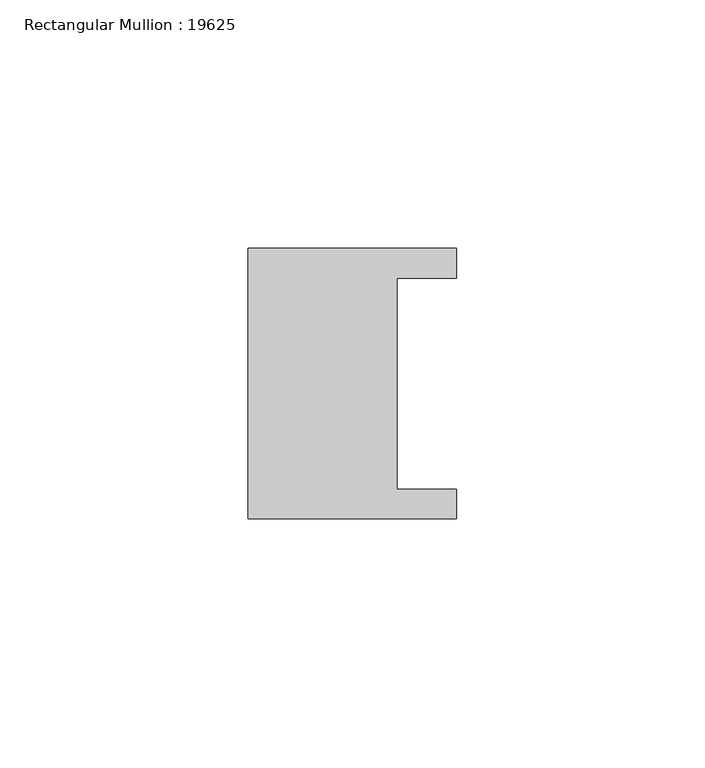
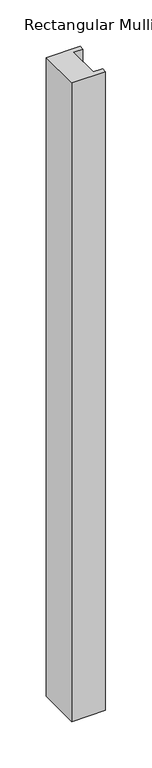
"""IFC4 building model written with IfcOpenShell, lengths in millimetres: member geometry, Rectangular Mullion : 19625."""

from ifc_helpers import new_model, si_unit, frame, origin, place, context, project, spatial, polyline, outline, extrude, source, transform, mapped, element, save


def rectangular_mullion_19625_4ea74e28(model_context):
    return source(origin(), model_context, "Body", "SweptSolid", [
        extrude(outline(polyline([(-42.0, 27.25), (0.0, 27.25), (0.0, 21.25), (-12.0, 21.25), (-12.0, -21.25), (0.0, -21.25), (0.0, -27.25), (-42.0, -27.25), (-42.0, 27.25)])), frame((0.0, 0.0, -840.0), z_axis=(0.0, 0.0, 1.0), x_axis=(1.0, 0.0, 0.0)), (0.0, 0.0, 1.0), 840.0),
    ])


if __name__ == "__main__":
    model = new_model("IFC4")
    model_context = context("Model", 3, world=origin())
    ifc_project = project(units=[si_unit("LENGTHUNIT", "METRE", prefix="MILLI")], contexts=[model_context])
    site = spatial("IfcSite", under=ifc_project)
    building = spatial("IfcBuilding", under=site)
    placement = place(None, origin())
    rectangular_mullion_19625_shape = rectangular_mullion_19625_4ea74e28(model_context)
    element("IfcMember", 1, ObjectType="Rectangular Mullion : 19625", at=placement, inside=building, context=model_context, shape_type="MappedRepresentation", body=[
        mapped(rectangular_mullion_19625_shape, transform((0.0, 0.0, 0.0), x_axis=(1.0, 0.0, 0.0), y_axis=(0.0, 1.0, 0.0), z_axis=(0.0, 0.0, 1.0))),
    ])
    save(model, "model.ifc")
